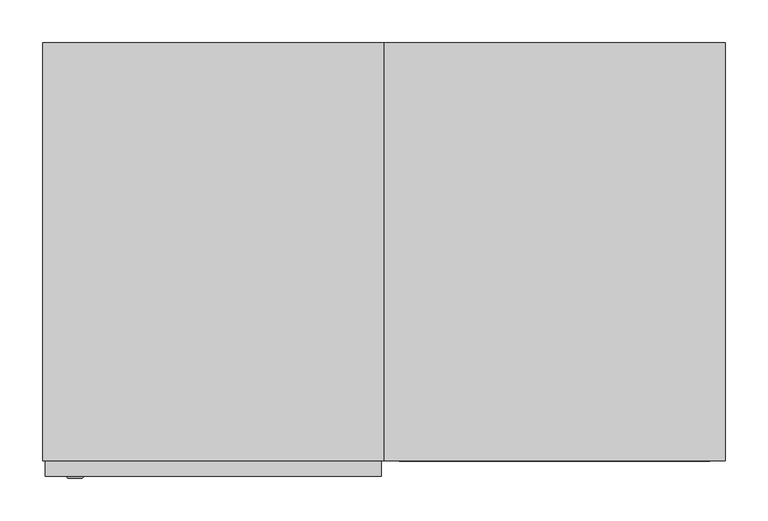
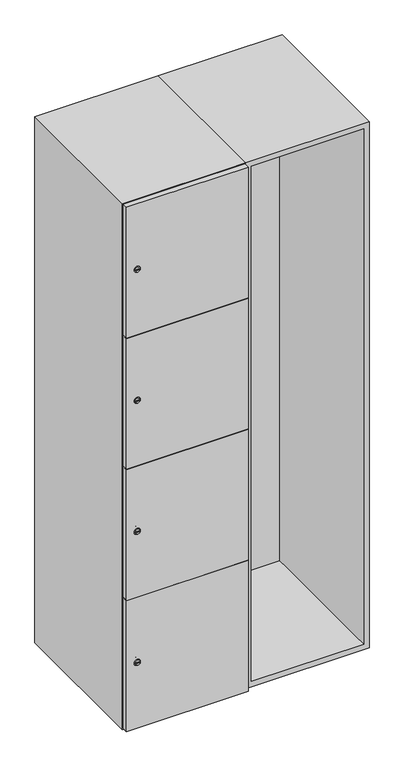
"""IFC4 building model written with IfcOpenShell, lengths in millimetres: furniture geometry."""

from ifc_helpers import new_model, si_unit, point, frame, frame_2d, origin, place, context, project, spatial, polyline, circle_curve, trimmed, segment, composite_curve, outline, extrude, faceted_brep, source, transform, mapped, element, save
from ifc_brep_helpers import plane_surface, revolved_surface, advanced_brep


def furniture_7252e5d9(model_context):
    return source(origin(), model_context, "Body", "SolidModel", [
        faceted_brep([(600.0, -245.0, 100.0), (600.0, -245.0, 1900.0), (200.0, -245.0, 1900.0), (200.0, -245.0, 100.0), (582.0, -245.0, 1882.0), (582.0, -245.0, 118.0), (218.0, -245.0, 118.0), (218.0, -245.0, 1882.0), (600.0, 245.0, 100.0), (200.0, 245.0, 100.0), (600.0, 245.0, 1900.0), (200.0, 245.0, 1900.0), (582.0, 227.0, 1882.0), (582.0, 227.0, 118.0), (200.0, 245.0, 1882.0), (218.0, 227.0, 1882.0), (218.0, 227.0, 118.0)], [[[0, 1, 2, 3], [4, 5, 6, 7]], [[8, 0, 3, 9]], [[1, 0, 8, 10]], [[1, 10, 11, 2]], [[4, 12, 13, 5]], [[9, 3, 2, 11, 14]], [[10, 8, 9, 14, 11]], [[12, 15, 16, 13]], [[15, 7, 6, 16]], [[4, 7, 15, 12]], [[6, 5, 13, 16]]]),
        extrude(outline(composite_curve([segment(trimmed(circle_curve(frame_2d((327.25, -188.7989466)), 7.0), [point((334.25, -188.7989466))], [point((320.25, -188.7989466))], False, "CARTESIAN"), True, "CONTINUOUS"), segment(polyline([(320.25, -188.7989466), (320.25, -160.7989466)]), True, "CONTINUOUS"), segment(trimmed(circle_curve(frame_2d((327.25, -160.7989466)), 7.0), [point((320.25, -160.7989466))], [point((334.25, -160.7989466))], False, "CARTESIAN"), True, "CONTINUOUS"), segment(polyline([(334.25, -160.7989466), (334.25, -188.7989466)]), True, "CONTINUOUS")], self_intersect=False)), frame((0.0, -245.0, 0.0), z_axis=(0.0, 1.0, 0.0), x_axis=(0.0, 0.0, 1.0)), (0.0, 0.0, 1.0), 2.0),
        advanced_brep(
        [(-153.5, -265.2, 327.25), (-170.5, -265.2, 327.25), (-167.0, -265.2, 326.0), (-167.0, -265.2, 328.5), (-157.0, -265.2, 328.5), (-157.0, -265.2, 326.0), (-151.5, -263.0, 327.25), (-172.5, -263.0, 327.25), (-167.0, -263.0, 328.5), (-167.0, -263.0, 326.0), (-157.0, -263.0, 326.0), (-157.0, -263.0, 328.5)],
        [
            (0, 1, circle_curve(frame((-162.0, -265.2, 327.25), z_axis=(0.0, -1.0, 0.0), x_axis=(1.0, 0.0, 0.0)), 8.5)),
            (1, 0, circle_curve(frame((-162.0, -265.2, 327.25), z_axis=(0.0, -1.0, 0.0), x_axis=(-1.0, 0.0, 0.0)), 8.5)),
            (2, 3),
            (3, 4),
            (4, 5),
            (5, 2),
            (6, 7, circle_curve(frame((-162.0, -263.0, 327.25), z_axis=(0.0, 1.0, 0.0), x_axis=(-1.0, 0.0, 0.0)), 10.5)),
            (7, 6, circle_curve(frame((-162.0, -263.0, 327.25), z_axis=(0.0, 1.0, 0.0), x_axis=(1.0, 0.0, 0.0)), 10.5)),
            (8, 9),
            (9, 10),
            (10, 11),
            (11, 8),
            (0, 6),
            (7, 1),
            (8, 3),
            (2, 9),
            (11, 4),
            (10, 5),
        ],
        [
            plane_surface(frame((-162.0, -265.2, 327.25), z_axis=(0.0, -1.0, 0.0), x_axis=(0.0, 0.0, 1.0))),
            plane_surface(frame((-162.0, -263.0, 327.25), z_axis=(0.0, 1.0, 0.0), x_axis=(0.0, 0.0, 1.0))),
            revolved_surface(polyline([(-153.5, -265.2, 327.25), (-151.5, -263.0, 327.25)]), (-162.0, -274.55, 327.25), (0.0, 1.0, 0.0)),
            revolved_surface(polyline([(-170.5, -265.2, 327.25), (-172.5, -263.0, 327.25)]), (-162.0, -274.55, 327.25), (0.0, 1.0, 0.0)),
            plane_surface(frame((-167.0, -263.0, 326.0), z_axis=(1.0, 0.0, 0.0), x_axis=(0.0, -1.0, 0.0))),
            plane_surface(frame((-167.0, -263.0, 328.5), z_axis=(0.0, 0.0, -1.0), x_axis=(0.0, -1.0, 0.0))),
            plane_surface(frame((-157.0, -263.0, 328.5), z_axis=(-1.0, 0.0, 0.0), x_axis=(0.0, -1.0, 0.0))),
            plane_surface(frame((-157.0, -263.0, 326.0), z_axis=(0.0, 0.0, 1.0), x_axis=(0.0, -1.0, 0.0))),
        ],
        [
            (0, [[1, 2], [3, 4, 5, 6]]),
            (1, [[7, 8], [9, 10, 11, 12]]),
            (2, [[-1, 13, -8, 14]]),
            (3, [[-2, -14, -7, -13]]),
            (4, [[15, -3, 16, -9]]),
            (5, [[-15, -12, 17, -4]]),
            (6, [[-17, -11, 18, -5]]),
            (7, [[-16, -6, -18, -10]]),
        ],
    ),
        extrude(outline(composite_curve([segment(trimmed(circle_curve(frame_2d((775.75, -188.7989466)), 7.0), [point((782.75, -188.7989466))], [point((768.75, -188.7989466))], False, "CARTESIAN"), True, "CONTINUOUS"), segment(polyline([(768.75, -188.7989466), (768.75, -160.7989466)]), True, "CONTINUOUS"), segment(trimmed(circle_curve(frame_2d((775.75, -160.7989466)), 7.0), [point((768.75, -160.7989466))], [point((782.75, -160.7989466))], False, "CARTESIAN"), True, "CONTINUOUS"), segment(polyline([(782.75, -160.7989466), (782.75, -188.7989466)]), True, "CONTINUOUS")], self_intersect=False)), frame((0.0, -245.0, 0.0), z_axis=(0.0, 1.0, 0.0), x_axis=(0.0, 0.0, 1.0)), (0.0, 0.0, 1.0), 2.0),
        advanced_brep(
        [(-153.5, -265.2, 775.75), (-170.5, -265.2, 775.75), (-167.0, -265.2, 774.5), (-167.0, -265.2, 777.0), (-157.0, -265.2, 777.0), (-157.0, -265.2, 774.5), (-151.5, -263.0, 775.75), (-172.5, -263.0, 775.75), (-167.0, -263.0, 777.0), (-167.0, -263.0, 774.5), (-157.0, -263.0, 774.5), (-157.0, -263.0, 777.0)],
        [
            (0, 1, circle_curve(frame((-162.0, -265.2, 775.75), z_axis=(0.0, -1.0, 0.0), x_axis=(1.0, 0.0, 0.0)), 8.5)),
            (1, 0, circle_curve(frame((-162.0, -265.2, 775.75), z_axis=(0.0, -1.0, 0.0), x_axis=(-1.0, 0.0, 0.0)), 8.5)),
            (2, 3),
            (3, 4),
            (4, 5),
            (5, 2),
            (6, 7, circle_curve(frame((-162.0, -263.0, 775.75), z_axis=(0.0, 1.0, 0.0), x_axis=(-1.0, 0.0, 0.0)), 10.5)),
            (7, 6, circle_curve(frame((-162.0, -263.0, 775.75), z_axis=(0.0, 1.0, 0.0), x_axis=(1.0, 0.0, 0.0)), 10.5)),
            (8, 9),
            (9, 10),
            (10, 11),
            (11, 8),
            (0, 6),
            (7, 1),
            (8, 3),
            (2, 9),
            (11, 4),
            (10, 5),
        ],
        [
            plane_surface(frame((-162.0, -265.2, 775.75), z_axis=(0.0, -1.0, 0.0), x_axis=(0.0, 0.0, 1.0))),
            plane_surface(frame((-162.0, -263.0, 775.75), z_axis=(0.0, 1.0, 0.0), x_axis=(0.0, 0.0, 1.0))),
            revolved_surface(polyline([(-153.5, -265.2, 775.75), (-151.5, -263.0, 775.75)]), (-162.0, -274.55, 775.75), (0.0, 1.0, 0.0)),
            revolved_surface(polyline([(-170.5, -265.2, 775.75), (-172.5, -263.0, 775.75)]), (-162.0, -274.55, 775.75), (0.0, 1.0, 0.0)),
            plane_surface(frame((-167.0, -263.0, 774.5), z_axis=(1.0, 0.0, 0.0), x_axis=(0.0, -1.0, 0.0))),
            plane_surface(frame((-167.0, -263.0, 777.0), z_axis=(0.0, 0.0, -1.0), x_axis=(0.0, -1.0, 0.0))),
            plane_surface(frame((-157.0, -263.0, 777.0), z_axis=(-1.0, 0.0, 0.0), x_axis=(0.0, -1.0, 0.0))),
            plane_surface(frame((-157.0, -263.0, 774.5), z_axis=(0.0, 0.0, 1.0), x_axis=(0.0, -1.0, 0.0))),
        ],
        [
            (0, [[1, 2], [3, 4, 5, 6]]),
            (1, [[7, 8], [9, 10, 11, 12]]),
            (2, [[-1, 13, -8, 14]]),
            (3, [[-2, -14, -7, -13]]),
            (4, [[15, -3, 16, -9]]),
            (5, [[-15, -12, 17, -4]]),
            (6, [[-17, -11, 18, -5]]),
            (7, [[-16, -6, -18, -10]]),
        ],
    ),
        extrude(outline(composite_curve([segment(trimmed(circle_curve(frame_2d((1224.25, -188.7989466)), 7.0), [point((1231.25, -188.7989466))], [point((1217.25, -188.7989466))], False, "CARTESIAN"), True, "CONTINUOUS"), segment(polyline([(1217.25, -188.7989466), (1217.25, -160.7989466)]), True, "CONTINUOUS"), segment(trimmed(circle_curve(frame_2d((1224.25, -160.7989466)), 7.0), [point((1217.25, -160.7989466))], [point((1231.25, -160.7989466))], False, "CARTESIAN"), True, "CONTINUOUS"), segment(polyline([(1231.25, -160.7989466), (1231.25, -188.7989466)]), True, "CONTINUOUS")], self_intersect=False)), frame((0.0, -245.0, 0.0), z_axis=(0.0, 1.0, 0.0), x_axis=(0.0, 0.0, 1.0)), (0.0, 0.0, 1.0), 2.0),
        advanced_brep(
        [(-153.5, -265.2, 1224.25), (-170.5, -265.2, 1224.25), (-167.0, -265.2, 1223.0), (-167.0, -265.2, 1225.5), (-157.0, -265.2, 1225.5), (-157.0, -265.2, 1223.0), (-151.5, -263.0, 1224.25), (-172.5, -263.0, 1224.25), (-167.0, -263.0, 1225.5), (-167.0, -263.0, 1223.0), (-157.0, -263.0, 1223.0), (-157.0, -263.0, 1225.5)],
        [
            (0, 1, circle_curve(frame((-162.0, -265.2, 1224.25), z_axis=(0.0, -1.0, 0.0), x_axis=(1.0, 0.0, 0.0)), 8.5)),
            (1, 0, circle_curve(frame((-162.0, -265.2, 1224.25), z_axis=(0.0, -1.0, 0.0), x_axis=(-1.0, 0.0, 0.0)), 8.5)),
            (2, 3),
            (3, 4),
            (4, 5),
            (5, 2),
            (6, 7, circle_curve(frame((-162.0, -263.0, 1224.25), z_axis=(0.0, 1.0, 0.0), x_axis=(-1.0, 0.0, 0.0)), 10.5)),
            (7, 6, circle_curve(frame((-162.0, -263.0, 1224.25), z_axis=(0.0, 1.0, 0.0), x_axis=(1.0, 0.0, 0.0)), 10.5)),
            (8, 9),
            (9, 10),
            (10, 11),
            (11, 8),
            (0, 6),
            (7, 1),
            (8, 3),
            (2, 9),
            (11, 4),
            (10, 5),
        ],
        [
            plane_surface(frame((-162.0, -265.2, 1224.25), z_axis=(0.0, -1.0, 0.0), x_axis=(0.0, 0.0, 1.0))),
            plane_surface(frame((-162.0, -263.0, 1224.25), z_axis=(0.0, 1.0, 0.0), x_axis=(0.0, 0.0, 1.0))),
            revolved_surface(polyline([(-153.5, -265.2, 1224.25), (-151.5, -263.0, 1224.25)]), (-162.0, -274.55, 1224.25), (0.0, 1.0, 0.0)),
            revolved_surface(polyline([(-170.5, -265.2, 1224.25), (-172.5, -263.0, 1224.25)]), (-162.0, -274.55, 1224.25), (0.0, 1.0, 0.0)),
            plane_surface(frame((-167.0, -263.0, 1223.0), z_axis=(1.0, 0.0, 0.0), x_axis=(0.0, -1.0, 0.0))),
            plane_surface(frame((-167.0, -263.0, 1225.5), z_axis=(0.0, 0.0, -1.0), x_axis=(0.0, -1.0, 0.0))),
            plane_surface(frame((-157.0, -263.0, 1225.5), z_axis=(-1.0, 0.0, 0.0), x_axis=(0.0, -1.0, 0.0))),
            plane_surface(frame((-157.0, -263.0, 1223.0), z_axis=(0.0, 0.0, 1.0), x_axis=(0.0, -1.0, 0.0))),
        ],
        [
            (0, [[1, 2], [3, 4, 5, 6]]),
            (1, [[7, 8], [9, 10, 11, 12]]),
            (2, [[-1, 13, -8, 14]]),
            (3, [[-2, -14, -7, -13]]),
            (4, [[15, -3, 16, -9]]),
            (5, [[-15, -12, 17, -4]]),
            (6, [[-17, -11, 18, -5]]),
            (7, [[-16, -6, -18, -10]]),
        ],
    ),
        extrude(outline(composite_curve([segment(trimmed(circle_curve(frame_2d((1672.75, -188.7989466)), 7.0), [point((1679.75, -188.7989466))], [point((1665.75, -188.7989466))], False, "CARTESIAN"), True, "CONTINUOUS"), segment(polyline([(1665.75, -188.7989466), (1665.75, -160.7989466)]), True, "CONTINUOUS"), segment(trimmed(circle_curve(frame_2d((1672.75, -160.7989466)), 7.0), [point((1665.75, -160.7989466))], [point((1679.75, -160.7989466))], False, "CARTESIAN"), True, "CONTINUOUS"), segment(polyline([(1679.75, -160.7989466), (1679.75, -188.7989466)]), True, "CONTINUOUS")], self_intersect=False)), frame((0.0, -245.0, 0.0), z_axis=(0.0, 1.0, 0.0), x_axis=(0.0, 0.0, 1.0)), (0.0, 0.0, 1.0), 2.0),
        advanced_brep(
        [(-153.5, -265.2, 1672.75), (-170.5, -265.2, 1672.75), (-167.0, -265.2, 1671.5), (-167.0, -265.2, 1674.0), (-157.0, -265.2, 1674.0), (-157.0, -265.2, 1671.5), (-151.5, -263.0, 1672.75), (-172.5, -263.0, 1672.75), (-167.0, -263.0, 1674.0), (-167.0, -263.0, 1671.5), (-157.0, -263.0, 1671.5), (-157.0, -263.0, 1674.0)],
        [
            (0, 1, circle_curve(frame((-162.0, -265.2, 1672.75), z_axis=(0.0, -1.0, 0.0), x_axis=(1.0, 0.0, 0.0)), 8.5)),
            (1, 0, circle_curve(frame((-162.0, -265.2, 1672.75), z_axis=(0.0, -1.0, 0.0), x_axis=(-1.0, 0.0, 0.0)), 8.5)),
            (2, 3),
            (3, 4),
            (4, 5),
            (5, 2),
            (6, 7, circle_curve(frame((-162.0, -263.0, 1672.75), z_axis=(0.0, 1.0, 0.0), x_axis=(-1.0, 0.0, 0.0)), 10.5)),
            (7, 6, circle_curve(frame((-162.0, -263.0, 1672.75), z_axis=(0.0, 1.0, 0.0), x_axis=(1.0, 0.0, 0.0)), 10.5)),
            (8, 9),
            (9, 10),
            (10, 11),
            (11, 8),
            (0, 6),
            (7, 1),
            (8, 3),
            (2, 9),
            (11, 4),
            (10, 5),
        ],
        [
            plane_surface(frame((-162.0, -265.2, 1672.75), z_axis=(0.0, -1.0, 0.0), x_axis=(0.0, 0.0, 1.0))),
            plane_surface(frame((-162.0, -263.0, 1672.75), z_axis=(0.0, 1.0, 0.0), x_axis=(0.0, 0.0, 1.0))),
            revolved_surface(polyline([(-153.5, -265.2, 1672.75), (-151.5, -263.0, 1672.75)]), (-162.0, -274.55, 1672.75), (0.0, 1.0, 0.0)),
            revolved_surface(polyline([(-170.5, -265.2, 1672.75), (-172.5, -263.0, 1672.75)]), (-162.0, -274.55, 1672.75), (0.0, 1.0, 0.0)),
            plane_surface(frame((-167.0, -263.0, 1671.5), z_axis=(1.0, 0.0, 0.0), x_axis=(0.0, -1.0, 0.0))),
            plane_surface(frame((-167.0, -263.0, 1674.0), z_axis=(0.0, 0.0, -1.0), x_axis=(0.0, -1.0, 0.0))),
            plane_surface(frame((-157.0, -263.0, 1674.0), z_axis=(-1.0, 0.0, 0.0), x_axis=(0.0, -1.0, 0.0))),
            plane_surface(frame((-157.0, -263.0, 1671.5), z_axis=(0.0, 0.0, 1.0), x_axis=(0.0, -1.0, 0.0))),
        ],
        [
            (0, [[1, 2], [3, 4, 5, 6]]),
            (1, [[7, 8], [9, 10, 11, 12]]),
            (2, [[-1, 13, -8, 14]]),
            (3, [[-2, -14, -7, -13]]),
            (4, [[15, -3, 16, -9]]),
            (5, [[-15, -12, 17, -4]]),
            (6, [[-17, -11, 18, -5]]),
            (7, [[-16, -6, -18, -10]]),
        ],
    ),
        extrude(outline(polyline([(197.0, -245.0), (197.0, -263.0), (-197.0, -263.0), (-197.0, -245.0), (197.0, -245.0)])), frame((0.0, 0.0, 551.0), z_axis=(0.0, 0.0, 1.0), x_axis=(1.0, 0.0, 0.0)), (0.0, 0.0, 1.0), 448.5),
        extrude(outline(polyline([(197.0, -245.0), (197.0, -263.0), (-197.0, -263.0), (-197.0, -245.0), (197.0, -245.0)])), frame((0.0, 0.0, 1000.5), z_axis=(0.0, 0.0, 1.0), x_axis=(1.0, 0.0, 0.0)), (0.0, 0.0, 1.0), 447.5),
        extrude(outline(polyline([(-197.0, -263.0), (-197.0, -245.0), (197.0, -245.0), (197.0, -263.0), (-197.0, -263.0)])), frame((0.0, 0.0, 1449.0), z_axis=(0.0, 0.0, 1.0), x_axis=(1.0, 0.0, 0.0)), (0.0, 0.0, 1.0), 448.0),
        extrude(outline(polyline([(197.0, -245.0), (197.0, -263.0), (-197.0, -263.0), (-197.0, -245.0), (197.0, -245.0)])), frame((0.0, 0.0, 103.0), z_axis=(0.0, 0.0, 1.0), x_axis=(1.0, 0.0, 0.0)), (0.0, 0.0, 1.0), 449.0),
        extrude(outline(polyline([(182.0, 227.0), (182.0, -227.0), (-182.0, -227.0), (-182.0, 227.0), (182.0, 227.0)])), frame((0.0, 0.0, 1432.0), z_axis=(0.0, 0.0, 1.0), x_axis=(1.0, 0.0, 0.0)), (0.0, 0.0, 1.0), 18.0),
        extrude(outline(polyline([(182.0, 227.0), (182.0, -227.0), (-182.0, -227.0), (-182.0, 227.0), (182.0, 227.0)])), frame((0.0, 0.0, 991.0), z_axis=(0.0, 0.0, 1.0), x_axis=(1.0, 0.0, 0.0)), (0.0, 0.0, 1.0), 18.0),
        extrude(outline(polyline([(182.0, 227.0), (182.0, -227.0), (-182.0, -227.0), (-182.0, 227.0), (182.0, 227.0)])), frame((0.0, 0.0, 550.0), z_axis=(0.0, 0.0, 1.0), x_axis=(1.0, 0.0, 0.0)), (0.0, 0.0, 1.0), 18.0),
        faceted_brep([(200.0, -245.0, 100.0), (200.0, -245.0, 1900.0), (-200.0, -245.0, 1900.0), (-200.0, -245.0, 100.0), (182.0, -245.0, 1882.0), (182.0, -245.0, 118.0), (-182.0, -245.0, 118.0), (-182.0, -245.0, 1882.0), (200.0, 245.0, 100.0), (-200.0, 245.0, 100.0), (200.0, 245.0, 1900.0), (-200.0, 245.0, 1900.0), (182.0, 227.0, 1882.0), (182.0, 227.0, 118.0), (-200.0, 245.0, 1882.0), (-182.0, 227.0, 1882.0), (-182.0, 227.0, 118.0)], [[[0, 1, 2, 3], [4, 5, 6, 7]], [[8, 0, 3, 9]], [[1, 0, 8, 10]], [[1, 10, 11, 2]], [[4, 12, 13, 5]], [[9, 3, 2, 11, 14]], [[10, 8, 9, 14, 11]], [[12, 15, 16, 13]], [[15, 7, 6, 16]], [[4, 7, 15, 12]], [[6, 5, 13, 16]]]),
    ])


if __name__ == "__main__":
    model = new_model("IFC4")
    model_context = context("Model", 3, world=origin())
    ifc_project = project(units=[si_unit("LENGTHUNIT", "METRE", prefix="MILLI")], contexts=[model_context])
    site = spatial("IfcSite", under=ifc_project)
    building = spatial("IfcBuilding", under=site)
    placement = place(None, origin())
    furniture_shape = furniture_7252e5d9(model_context)
    element("IfcFurniture", 1, at=placement, inside=building, context=model_context, shape_type="MappedRepresentation", body=[
        mapped(furniture_shape, transform((0.0, 0.0, 0.0), x_axis=(1.0, 0.0, 0.0), y_axis=(0.0, 1.0, 0.0), z_axis=(0.0, 0.0, 1.0))),
    ])
    save(model, "model.ifc")
